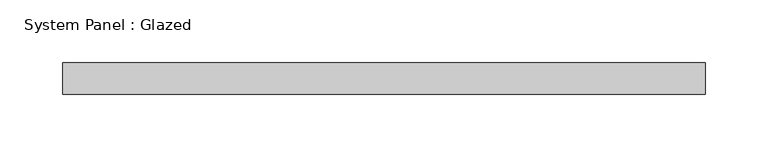
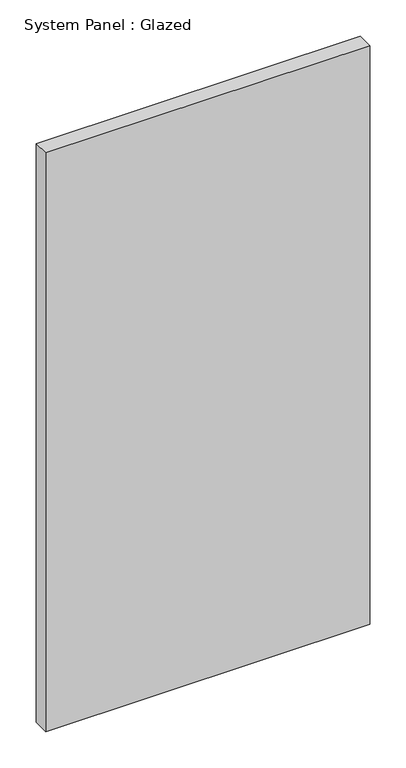
"""IFC4 building model written with IfcOpenShell, lengths in millimetres: plate geometry, System Panel : Glazed."""

from ifc_helpers import new_model, si_unit, origin, origin_with_axes, place, context, project, spatial, polyline, outline, extrude, source, transform, mapped, element, save


def system_panel_glazed_7ab982a6(model_context):
    return source(origin(), model_context, "Body", "SweptSolid", [
        extrude(outline(polyline([(257.1750002, 19.05), (-257.1750002, 19.05), (-257.1750002, 44.45), (257.1750002, 44.45), (257.1750002, 19.05)])), origin_with_axes(), (0.0, 0.0, 1.0), 971.55),
    ])


if __name__ == "__main__":
    model = new_model("IFC4")
    model_context = context("Model", 3, world=origin())
    ifc_project = project(units=[si_unit("LENGTHUNIT", "METRE", prefix="MILLI")], contexts=[model_context])
    site = spatial("IfcSite", under=ifc_project)
    building = spatial("IfcBuilding", under=site)
    placement = place(None, origin())
    system_panel_glazed_shape = system_panel_glazed_7ab982a6(model_context)
    element("IfcPlate", 1, ObjectType="System Panel : Glazed", at=placement, inside=building, context=model_context, shape_type="MappedRepresentation", body=[
        mapped(system_panel_glazed_shape, transform((0.0, 0.0, 0.0), x_axis=(1.0, 0.0, 0.0), y_axis=(0.0, 1.0, 0.0), z_axis=(0.0, 0.0, 1.0))),
    ])
    save(model, "model.ifc")
